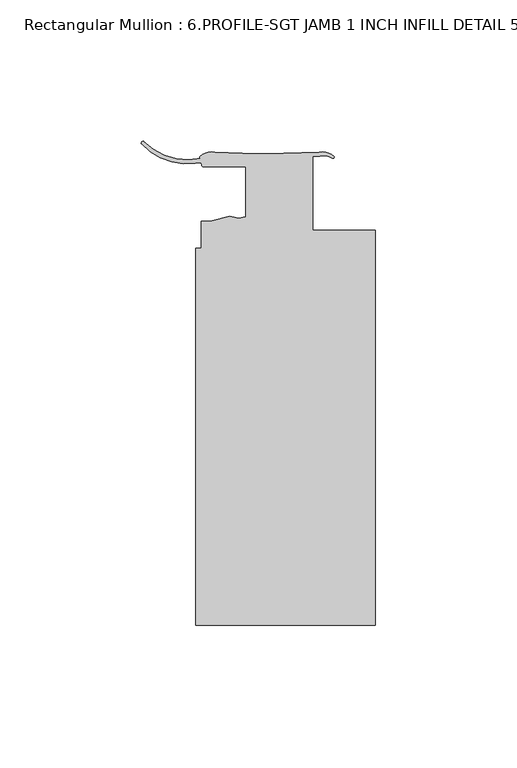
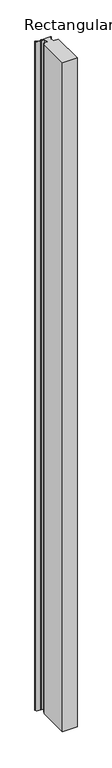
"""IFC4 building model written with IfcOpenShell, lengths in millimetres: member geometry, Rectangular Mullion : 6.PROFILE-SGT JAMB 1 INCH INFILL DETAIL 5."""

from ifc_helpers import new_model, si_unit, point, frame, frame_2d, origin, place, context, project, spatial, polyline, circle_curve, trimmed, segment, composite_curve, outline, extrude, source, transform, mapped, element, save


def rectangular_mullion_6_profile_sgt_jamb_1_inch_infill_detail_491a87cc(model_context):
    return source(origin(), model_context, "Body", "SweptSolid", [
        extrude(outline(composite_curve([segment(polyline([(-63.5, -89.7468871), (-63.5, 43.6031079), (-61.6210757, 43.6031079), (-61.6210757, 53.0646079), (-58.3581956, 53.0646079), (-51.45923, 54.9131802), (-48.2425625, 54.0906211), (-45.9270526, 54.7110601), (-45.9270526, 72.3178079), (-60.6590526, 72.3178079)]), True, "CONTINUOUS"), segment(trimmed(circle_curve(frame_2d((-60.6590526, 73.0798079)), 0.762), [point((-60.6590526, 72.3178079))], [point((-61.4210526, 73.0798079))], False, "CARTESIAN"), True, "CONTINUOUS"), segment(trimmed(circle_curve(frame_2d((-62.1830526, 73.0798079)), 0.762), [point((-61.4210526, 73.0798079))], [point((-62.3423694, 73.8249671))], True, "CARTESIAN"), True, "CONTINUOUS"), segment(polyline([(-62.3423694, 73.8249671), (-63.7238377, 73.6486669)]), True, "CONTINUOUS"), segment(trimmed(circle_curve(frame_2d((-66.8330106, 94.828666)), 21.4069923), [point((-63.7238377, 73.6486669))], [point((-82.7157405, 80.4760283))], False, "CARTESIAN"), True, "CONTINUOUS"), segment(trimmed(circle_curve(frame_2d((-82.1318749, 80.7256801)), 0.635), [point((-82.7157405, 80.4760283))], [point((-81.8599944, 81.299532))], False, "CARTESIAN"), True, "CONTINUOUS"), segment(trimmed(circle_curve(frame_2d((-66.3878103, 96.5920269)), 21.7542841), [point((-81.8599944, 81.299532))], [point((-61.6513378, 75.3596293))], True, "CARTESIAN"), True, "CONTINUOUS"), segment(trimmed(circle_curve(frame_2d((-61.6427163, 75.7751763)), 0.4156364), [point((-61.6513378, 75.3596293))], [point((-61.9574575, 76.0466382))], False, "CARTESIAN"), True, "CONTINUOUS"), segment(trimmed(circle_curve(frame_2d((-57.9466458, 71.6739135)), 5.9335766), [point((-61.9574575, 76.0466382))], [point((-56.8278238, 77.5010542))], False, "CARTESIAN"), True, "CONTINUOUS"), segment(polyline([(-56.8278238, 77.5010542), (-42.3108111, 77.0676152), (-38.5143215, 77.0676152), (-19.7776758, 77.5799311)]), True, "CONTINUOUS"), segment(trimmed(circle_curve(frame_2d((-18.7566587, 71.7604335)), 5.9083862), [point((-19.7776758, 77.5799311))], [point((-14.6850018, 76.0418629))], False, "CARTESIAN"), True, "CONTINUOUS"), segment(trimmed(circle_curve(frame_2d((-15.0041434, 75.7755883)), 0.4156364), [point((-14.6850018, 76.0418629))], [point((-15.2633967, 75.450717))], False, "CARTESIAN"), True, "CONTINUOUS"), segment(trimmed(circle_curve(frame_2d((-18.2172769, 70.3253456)), 5.9156437), [point((-15.2633967, 75.450717))], [point((-19.6705536, 76.0597006))], True, "CARTESIAN"), True, "CONTINUOUS"), segment(polyline([(-19.6705536, 76.0597006), (-22.2248868, 75.9870215), (-22.2248868, 49.9531079), (0.0, 49.9531079), (0.0, -89.7468871), (-63.5, -89.7468871)]), True, "CONTINUOUS")], self_intersect=False)), frame((0.0, 0.0, -3048.0), z_axis=(0.0, 0.0, 1.0), x_axis=(1.0, 0.0, 0.0)), (0.0, 0.0, 1.0), 3048.0),
    ])


if __name__ == "__main__":
    model = new_model("IFC4")
    model_context = context("Model", 3, world=origin())
    ifc_project = project(units=[si_unit("LENGTHUNIT", "METRE", prefix="MILLI")], contexts=[model_context])
    site = spatial("IfcSite", under=ifc_project)
    building = spatial("IfcBuilding", under=site)
    placement = place(None, origin())
    rectangular_mullion_6_profile_sgt_jamb_1_inch_infill_detail_shape = rectangular_mullion_6_profile_sgt_jamb_1_inch_infill_detail_491a87cc(model_context)
    element("IfcMember", 1, ObjectType="Rectangular Mullion : 6.PROFILE-SGT JAMB 1 INCH INFILL DETAIL 5", at=placement, inside=building, context=model_context, shape_type="MappedRepresentation", body=[
        mapped(rectangular_mullion_6_profile_sgt_jamb_1_inch_infill_detail_shape, transform((0.0, 0.0, 0.0), x_axis=(1.0, 0.0, 0.0), y_axis=(0.0, 1.0, 0.0), z_axis=(0.0, 0.0, 1.0))),
    ])
    save(model, "model.ifc")
